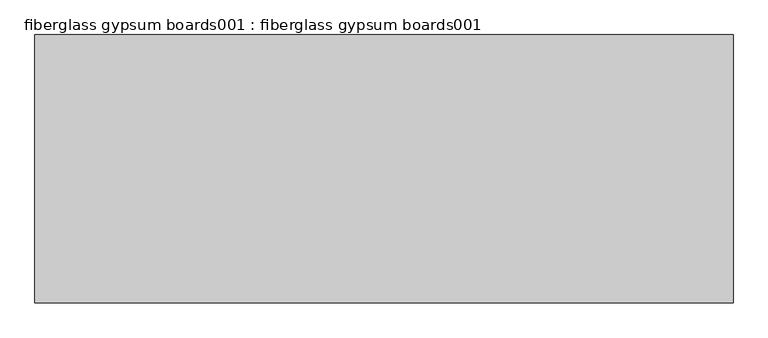
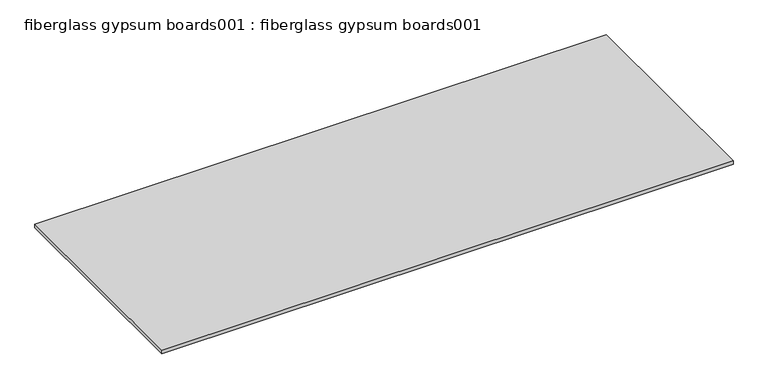
"""IFC4 building model written with IfcOpenShell, lengths in millimetres: proxy geometry, fiberglass gypsum boards001 : fiberglass gypsum boards001."""

from ifc_helpers import new_model, si_unit, frame, origin, place, context, project, spatial, polyline, outline, extrude, source, transform, mapped, element, save


def fiberglass_gypsum_boards001_fiberglass_gypsum_boards001_a7f8f166(model_context):
    return source(origin(), model_context, "Body", "SweptSolid", [
        extrude(outline(polyline([(37110.9497123, -24281.9529946), (39489.800917, -24281.9529946), (39489.800917, -25196.3529946), (37110.9497123, -25196.3529946), (37110.9497123, -24281.9529946)])), frame((0.0, 0.0, 2581.275), z_axis=(0.0, 0.0, 1.0), x_axis=(1.0, 0.0, 0.0)), (0.0, 0.0, 1.0), 15.875),
    ])


if __name__ == "__main__":
    model = new_model("IFC4")
    model_context = context("Model", 3, world=origin())
    ifc_project = project(units=[si_unit("LENGTHUNIT", "METRE", prefix="MILLI")], contexts=[model_context])
    site = spatial("IfcSite", under=ifc_project)
    building = spatial("IfcBuilding", under=site)
    placement = place(None, origin())
    fiberglass_gypsum_boards001_fiberglass_gypsum_boards001_shape = fiberglass_gypsum_boards001_fiberglass_gypsum_boards001_a7f8f166(model_context)
    element("IfcBuildingElementProxy", 1, Name="fiberglass gypsum boards001 : fiberglass gypsum boards001", ObjectType="fiberglass gypsum boards001 : fiberglass gypsum boards001", at=placement, inside=building, context=model_context, shape_type="MappedRepresentation", body=[
        mapped(fiberglass_gypsum_boards001_fiberglass_gypsum_boards001_shape, transform((0.0, 0.0, 0.0), x_axis=(1.0, 0.0, 0.0), y_axis=(0.0, 1.0, 0.0), z_axis=(0.0, 0.0, 1.0))),
    ])
    save(model, "model.ifc")
